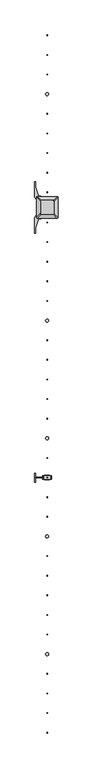
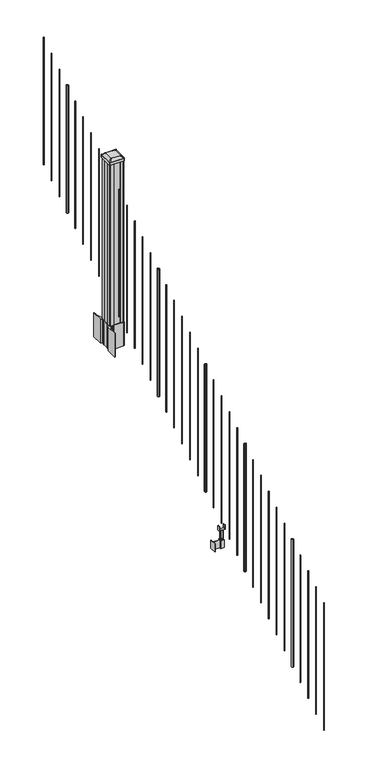
"""IFC4 building model written with IfcOpenShell, lengths in millimetres: railing geometry."""

from ifc_helpers import new_model, si_unit, point, frame, frame_2d, origin, place, context, project, spatial, polyline, circle_curve, trimmed, segment, composite_curve, outline, extrude, source, transform, mapped, element, save
from ifc_brep_helpers import plane_surface, extruded_surface, advanced_brep


def railing_a7a2ee65(model_context):
    return source(origin(), model_context, "Body", "SolidModel", [
        extrude(outline(composite_curve([segment(trimmed(circle_curve(frame_2d((8331.6376478, -84378.7128453)), 1.5875), [point((8333.2251478, -84378.7128453))], [point((8331.6376478, -84380.3003453))], False, "CARTESIAN"), True, "CONTINUOUS"), segment(trimmed(circle_curve(frame_2d((8331.6376478, -84378.7128453)), 1.5875), [point((8331.6376478, -84380.3003453))], [point((8330.0501478, -84378.7128453))], False, "CARTESIAN"), True, "CONTINUOUS"), segment(trimmed(circle_curve(frame_2d((8331.6376478, -84378.7128453)), 1.5875), [point((8330.0501478, -84378.7128453))], [point((8331.6376478, -84377.1253453))], False, "CARTESIAN"), True, "CONTINUOUS"), segment(trimmed(circle_curve(frame_2d((8331.6376478, -84378.7128453)), 1.5875), [point((8331.6376478, -84377.1253453))], [point((8333.2251478, -84378.7128453))], False, "CARTESIAN"), True, "CONTINUOUS")], self_intersect=False)), frame((0.0, 0.0, 2216.9396281), z_axis=(0.0, 0.0, 1.0), x_axis=(1.0, 0.0, 0.0)), (0.0, 0.0, 1.0), 812.8041219),
        extrude(outline(composite_curve([segment(trimmed(circle_curve(frame_2d((8331.6376478, -84461.2628453)), 1.5875), [point((8333.2251478, -84461.2628453))], [point((8331.6376478, -84462.8503453))], False, "CARTESIAN"), True, "CONTINUOUS"), segment(trimmed(circle_curve(frame_2d((8331.6376478, -84461.2628453)), 1.5875), [point((8331.6376478, -84462.8503453))], [point((8330.0501478, -84461.2628453))], False, "CARTESIAN"), True, "CONTINUOUS"), segment(trimmed(circle_curve(frame_2d((8331.6376478, -84461.2628453)), 1.5875), [point((8330.0501478, -84461.2628453))], [point((8331.6376478, -84459.6753453))], False, "CARTESIAN"), True, "CONTINUOUS"), segment(trimmed(circle_curve(frame_2d((8331.6376478, -84461.2628453)), 1.5875), [point((8331.6376478, -84459.6753453))], [point((8333.2251478, -84461.2628453))], False, "CARTESIAN"), True, "CONTINUOUS")], self_intersect=False)), frame((0.0, 0.0, 2165.3458781), z_axis=(0.0, 0.0, 1.0), x_axis=(1.0, 0.0, 0.0)), (0.0, 0.0, 1.0), 812.8041219),
        extrude(outline(composite_curve([segment(trimmed(circle_curve(frame_2d((8331.6376478, -84543.8128453)), 1.5875), [point((8333.2251478, -84543.8128453))], [point((8331.6376478, -84545.4003453))], False, "CARTESIAN"), True, "CONTINUOUS"), segment(trimmed(circle_curve(frame_2d((8331.6376478, -84543.8128453)), 1.5875), [point((8331.6376478, -84545.4003453))], [point((8330.0501478, -84543.8128453))], False, "CARTESIAN"), True, "CONTINUOUS"), segment(trimmed(circle_curve(frame_2d((8331.6376478, -84543.8128453)), 1.5875), [point((8330.0501478, -84543.8128453))], [point((8331.6376478, -84542.2253453))], False, "CARTESIAN"), True, "CONTINUOUS"), segment(trimmed(circle_curve(frame_2d((8331.6376478, -84543.8128453)), 1.5875), [point((8331.6376478, -84542.2253453))], [point((8333.2251478, -84543.8128453))], False, "CARTESIAN"), True, "CONTINUOUS")], self_intersect=False)), frame((0.0, 0.0, 2113.7521281), z_axis=(0.0, 0.0, 1.0), x_axis=(1.0, 0.0, 0.0)), (0.0, 0.0, 1.0), 812.8041219),
        extrude(outline(composite_curve([segment(trimmed(circle_curve(frame_2d((8331.6376478, -84626.3628453)), 6.35), [point((8337.9876478, -84626.3628453))], [point((8331.6376478, -84632.7128453))], False, "CARTESIAN"), True, "CONTINUOUS"), segment(trimmed(circle_curve(frame_2d((8331.6376478, -84626.3628453)), 6.35), [point((8331.6376478, -84632.7128453))], [point((8325.2876478, -84626.3628453))], False, "CARTESIAN"), True, "CONTINUOUS"), segment(trimmed(circle_curve(frame_2d((8331.6376478, -84626.3628453)), 6.35), [point((8325.2876478, -84626.3628453))], [point((8331.6376478, -84620.0128453))], False, "CARTESIAN"), True, "CONTINUOUS"), segment(trimmed(circle_curve(frame_2d((8331.6376478, -84626.3628453)), 6.35), [point((8331.6376478, -84620.0128453))], [point((8337.9876478, -84626.3628453))], False, "CARTESIAN"), True, "CONTINUOUS")], self_intersect=False)), frame((0.0, 0.0, 2062.1583781), z_axis=(0.0, 0.0, 1.0), x_axis=(1.0, 0.0, 0.0)), (0.0, 0.0, 1.0), 812.8041219),
        extrude(outline(composite_curve([segment(trimmed(circle_curve(frame_2d((8331.6376478, -84708.9128453)), 1.5875), [point((8333.2251478, -84708.9128453))], [point((8331.6376478, -84710.5003453))], False, "CARTESIAN"), True, "CONTINUOUS"), segment(trimmed(circle_curve(frame_2d((8331.6376478, -84708.9128453)), 1.5875), [point((8331.6376478, -84710.5003453))], [point((8330.0501478, -84708.9128453))], False, "CARTESIAN"), True, "CONTINUOUS"), segment(trimmed(circle_curve(frame_2d((8331.6376478, -84708.9128453)), 1.5875), [point((8330.0501478, -84708.9128453))], [point((8331.6376478, -84707.3253453))], False, "CARTESIAN"), True, "CONTINUOUS"), segment(trimmed(circle_curve(frame_2d((8331.6376478, -84708.9128453)), 1.5875), [point((8331.6376478, -84707.3253453))], [point((8333.2251478, -84708.9128453))], False, "CARTESIAN"), True, "CONTINUOUS")], self_intersect=False)), frame((0.0, 0.0, 2010.5646281), z_axis=(0.0, 0.0, 1.0), x_axis=(1.0, 0.0, 0.0)), (0.0, 0.0, 1.0), 812.8041219),
        extrude(outline(composite_curve([segment(trimmed(circle_curve(frame_2d((8331.6376478, -84791.4628453)), 1.5875), [point((8333.2251478, -84791.4628453))], [point((8331.6376478, -84793.0503453))], False, "CARTESIAN"), True, "CONTINUOUS"), segment(trimmed(circle_curve(frame_2d((8331.6376478, -84791.4628453)), 1.5875), [point((8331.6376478, -84793.0503453))], [point((8330.0501478, -84791.4628453))], False, "CARTESIAN"), True, "CONTINUOUS"), segment(trimmed(circle_curve(frame_2d((8331.6376478, -84791.4628453)), 1.5875), [point((8330.0501478, -84791.4628453))], [point((8331.6376478, -84789.8753453))], False, "CARTESIAN"), True, "CONTINUOUS"), segment(trimmed(circle_curve(frame_2d((8331.6376478, -84791.4628453)), 1.5875), [point((8331.6376478, -84789.8753453))], [point((8333.2251478, -84791.4628453))], False, "CARTESIAN"), True, "CONTINUOUS")], self_intersect=False)), frame((0.0, 0.0, 1958.9708781), z_axis=(0.0, 0.0, 1.0), x_axis=(1.0, 0.0, 0.0)), (0.0, 0.0, 1.0), 812.8041219),
        extrude(outline(composite_curve([segment(trimmed(circle_curve(frame_2d((8331.6376478, -84874.0128453)), 1.5875), [point((8333.2251478, -84874.0128453))], [point((8331.6376478, -84875.6003453))], False, "CARTESIAN"), True, "CONTINUOUS"), segment(trimmed(circle_curve(frame_2d((8331.6376478, -84874.0128453)), 1.5875), [point((8331.6376478, -84875.6003453))], [point((8330.0501478, -84874.0128453))], False, "CARTESIAN"), True, "CONTINUOUS"), segment(trimmed(circle_curve(frame_2d((8331.6376478, -84874.0128453)), 1.5875), [point((8330.0501478, -84874.0128453))], [point((8331.6376478, -84872.4253453))], False, "CARTESIAN"), True, "CONTINUOUS"), segment(trimmed(circle_curve(frame_2d((8331.6376478, -84874.0128453)), 1.5875), [point((8331.6376478, -84872.4253453))], [point((8333.2251478, -84874.0128453))], False, "CARTESIAN"), True, "CONTINUOUS")], self_intersect=False)), frame((0.0, 0.0, 1907.3771281), z_axis=(0.0, 0.0, 1.0), x_axis=(1.0, 0.0, 0.0)), (0.0, 0.0, 1.0), 812.8041219),
        extrude(outline(composite_curve([segment(trimmed(circle_curve(frame_2d((8331.6376478, -84956.5628453)), 1.5875), [point((8333.2251478, -84956.5628453))], [point((8331.6376478, -84958.1503453))], False, "CARTESIAN"), True, "CONTINUOUS"), segment(trimmed(circle_curve(frame_2d((8331.6376478, -84956.5628453)), 1.5875), [point((8331.6376478, -84958.1503453))], [point((8330.0501478, -84956.5628453))], False, "CARTESIAN"), True, "CONTINUOUS"), segment(trimmed(circle_curve(frame_2d((8331.6376478, -84956.5628453)), 1.5875), [point((8330.0501478, -84956.5628453))], [point((8331.6376478, -84954.9753453))], False, "CARTESIAN"), True, "CONTINUOUS"), segment(trimmed(circle_curve(frame_2d((8331.6376478, -84956.5628453)), 1.5875), [point((8331.6376478, -84954.9753453))], [point((8333.2251478, -84956.5628453))], False, "CARTESIAN"), True, "CONTINUOUS")], self_intersect=False)), frame((0.0, 0.0, 1855.7833781), z_axis=(0.0, 0.0, 1.0), x_axis=(1.0, 0.0, 0.0)), (0.0, 0.0, 1.0), 812.8041219),
        extrude(outline(composite_curve([segment(trimmed(circle_curve(frame_2d((8331.6376478, -85039.1128453)), 1.5875), [point((8333.2251478, -85039.1128453))], [point((8331.6376478, -85040.7003453))], False, "CARTESIAN"), True, "CONTINUOUS"), segment(trimmed(circle_curve(frame_2d((8331.6376478, -85039.1128453)), 1.5875), [point((8331.6376478, -85040.7003453))], [point((8330.0501478, -85039.1128453))], False, "CARTESIAN"), True, "CONTINUOUS"), segment(trimmed(circle_curve(frame_2d((8331.6376478, -85039.1128453)), 1.5875), [point((8330.0501478, -85039.1128453))], [point((8331.6376478, -85037.5253453))], False, "CARTESIAN"), True, "CONTINUOUS"), segment(trimmed(circle_curve(frame_2d((8331.6376478, -85039.1128453)), 1.5875), [point((8331.6376478, -85037.5253453))], [point((8333.2251478, -85039.1128453))], False, "CARTESIAN"), True, "CONTINUOUS")], self_intersect=False)), frame((0.0, 0.0, 1804.1896281), z_axis=(0.0, 0.0, 1.0), x_axis=(1.0, 0.0, 0.0)), (0.0, 0.0, 1.0), 812.8041219),
        extrude(outline(composite_curve([segment(polyline([(8374.3731478, -85119.9989401), (8375.9606478, -85120.7609401), (8375.9606478, -85143.5628682), (8372.5876707, -85146.9358453), (8311.1279999, -85146.9358453), (8311.1279999, -85147.8565953), (8305.8104561, -85147.8565953), (8305.8104561, -85149.31085), (8300.7259264, -85149.31085), (8300.7259264, -85150.5948738), (8299.0586541, -85150.5948738)]), True, "CONTINUOUS"), segment(trimmed(circle_curve(frame_2d((8299.0586541, -85157.6543337)), 7.0594599), [point((8299.0586541, -85150.5948738))], [point((8292.2913912, -85155.644327))], True, "CARTESIAN"), True, "CONTINUOUS"), segment(polyline([(8292.2913912, -85155.644327), (8284.4171969, -85182.1550561)]), True, "CONTINUOUS"), segment(trimmed(circle_curve(frame_2d((8339.2017103, -85198.4271057)), 57.15), [point((8284.4171969, -85182.1550561))], [point((8282.0517103, -85198.4271057))], True, "CARTESIAN"), True, "CONTINUOUS"), segment(polyline([(8282.0517103, -85198.4271057), (8282.0517103, -85210.4358453), (8279.0517103, -85210.4358453), (8279.0517103, -85145.3483453), (8287.3146478, -85134.010054), (8287.3146478, -85120.7609401), (8288.9021478, -85119.9989401), (8288.9021478, -85085.2267504), (8287.3146478, -85084.4647504), (8287.3146478, -85071.2156366), (8279.0517103, -85059.8773453), (8279.0517103, -84994.7898453), (8282.0517103, -84994.7898453), (8282.0517103, -85006.7985848)]), True, "CONTINUOUS"), segment(trimmed(circle_curve(frame_2d((8339.2017103, -85006.7985848)), 57.15), [point((8282.0517103, -85006.7985848))], [point((8284.4171969, -85023.0706345))], True, "CARTESIAN"), True, "CONTINUOUS"), segment(polyline([(8284.4171969, -85023.0706345), (8292.2913912, -85049.5813636)]), True, "CONTINUOUS"), segment(trimmed(circle_curve(frame_2d((8299.0586541, -85047.5713569)), 7.0594599), [point((8292.2913912, -85049.5813636))], [point((8299.0586541, -85054.6308168))], True, "CARTESIAN"), True, "CONTINUOUS"), segment(polyline([(8299.0586541, -85054.6308168), (8300.7259264, -85054.6308168), (8300.7259264, -85055.9148406), (8305.8104561, -85055.9148406), (8305.8104561, -85057.3690953), (8311.1279999, -85057.3690953), (8311.1279999, -85058.2898453), (8372.5876707, -85058.2898453), (8375.9606478, -85061.6628224), (8375.9606478, -85084.4647504), (8374.3731478, -85085.2267504), (8374.3731478, -85119.9989401)]), True, "CONTINUOUS")], self_intersect=False), holes=[polyline([(8290.3626478, -85062.9253453), (8290.3626478, -85142.3003453), (8291.9501478, -85143.8878453), (8328.8744304, -85143.8878453), (8371.3251478, -85143.8878453), (8372.9126478, -85142.3003453), (8372.9126478, -85062.9253453), (8371.3251478, -85061.3378453), (8328.8744304, -85061.3378453), (8291.9501478, -85061.3378453), (8290.3626478, -85062.9253453)])]), frame((0.0, 0.0, 1510.50625), z_axis=(0.0, 0.0, 1.0), x_axis=(1.0, 0.0, 0.0)), (0.0, 0.0, 1.0), 152.4),
        advanced_brep(
        [(8305.8407728, -85131.5847203, 2722.845513), (8357.4345228, -85131.5847203, 2722.845513), (8360.6095228, -85128.4097203, 2722.845513), (8360.6095228, -85076.8159703, 2722.845513), (8357.4345228, -85073.6409703, 2722.845513), (8305.8407728, -85073.6409703, 2722.845513), (8302.6657728, -85076.8159703, 2722.845513), (8302.6657728, -85128.4097203, 2722.845513), (8289.5688978, -85147.8565953, 2711.542513), (8286.3938978, -85144.6815953, 2711.542513), (8286.3938978, -85060.5440953, 2711.542513), (8289.5688978, -85057.3690953, 2711.542513), (8373.7063978, -85057.3690953, 2711.542513), (8376.8813978, -85060.5440953, 2711.542513), (8376.8813978, -85144.6815953, 2711.542513), (8373.7063978, -85147.8565953, 2711.542513)],
        [
            (0, 1),
            (1, 2, circle_curve(frame((8357.4345228, -85128.4097203, 2722.845513), z_axis=(0.0, 0.0, 1.0), x_axis=(0.0, 1.0, 0.0)), 3.175)),
            (2, 3),
            (3, 4, circle_curve(frame((8357.4345228, -85076.8159703, 2722.845513), z_axis=(0.0, 0.0, 1.0), x_axis=(0.0, 1.0, 0.0)), 3.175)),
            (4, 5),
            (5, 6, circle_curve(frame((8305.8407728, -85076.8159703, 2722.845513), z_axis=(0.0, 0.0, 1.0), x_axis=(0.0, 1.0, 0.0)), 3.175)),
            (6, 7),
            (7, 0, circle_curve(frame((8305.8407728, -85128.4097203, 2722.845513), z_axis=(0.0, 0.0, 1.0), x_axis=(0.0, 1.0, 0.0)), 3.175)),
            (8, 9, circle_curve(frame((8289.5688978, -85144.6815953, 2711.542513), z_axis=(0.0, 0.0, -1.0), x_axis=(0.0, 1.0, 0.0)), 3.175)),
            (9, 10),
            (10, 11, circle_curve(frame((8289.5688978, -85060.5440953, 2711.542513), z_axis=(0.0, 0.0, -1.0), x_axis=(0.0, 1.0, 0.0)), 3.175)),
            (11, 12),
            (12, 13, circle_curve(frame((8373.7063978, -85060.5440953, 2711.542513), z_axis=(0.0, 0.0, -1.0), x_axis=(0.0, 1.0, 0.0)), 3.175)),
            (13, 14),
            (14, 15, circle_curve(frame((8373.7063978, -85144.6815953, 2711.542513), z_axis=(0.0, 0.0, -1.0), x_axis=(0.0, 1.0, 0.0)), 3.175)),
            (15, 8),
            (8, 0),
            (7, 9),
            (6, 10),
            (5, 11),
            (4, 12),
            (3, 13),
            (2, 14),
            (1, 15),
        ],
        [
            plane_surface(frame((8331.6376478, -85102.6128453, 2722.845513), z_axis=(0.0, 0.0, 1.0), x_axis=(-1.0, 0.0, 0.0))),
            plane_surface(frame((8331.6376478, -85102.6128453, 2711.542513), z_axis=(0.0, 0.0, -1.0), x_axis=(-1.0, 0.0, 0.0))),
            extruded_surface(trimmed(circle_curve(frame((8305.8407728, -85128.4097203, 2722.845513), z_axis=(0.0, 0.0, -1.0), x_axis=(0.0, 1.0, 0.0)), 3.175), [point((8305.8407728, -85131.5847203, 2722.845513))], [point((8302.6657728, -85128.4097203, 2722.845513))], True, "CARTESIAN"), (-16.271875000000364, -16.27187500000582, -11.303000000000338), 25.637972638870238),
            plane_surface(frame((8286.3938978, -85102.6128453, 2711.542513), z_axis=(-0.5705009161540778, 0.0, 0.8212969649690408), x_axis=(0.0, 1.0, 0.0))),
            extruded_surface(trimmed(circle_curve(frame((8305.8407728, -85076.8159703, 2722.845513), z_axis=(0.0, 0.0, -1.0), x_axis=(0.0, 1.0, 0.0)), 3.175), [point((8302.6657728, -85076.8159703, 2722.845513))], [point((8305.8407728, -85073.6409703, 2722.845513))], True, "CARTESIAN"), (-16.271875000000364, 16.27187499999127, -11.303000000000338), 25.637972638861),
            plane_surface(frame((8331.6376478, -85057.3690953, 2711.542513), z_axis=(0.0, 0.5705009161540291, 0.8212969649690747), x_axis=(1.0, 0.0, 0.0))),
            extruded_surface(trimmed(circle_curve(frame((8357.4345228, -85076.8159703, 2722.845513), z_axis=(0.0, 0.0, -1.0), x_axis=(0.0, 1.0, 0.0)), 3.175), [point((8357.4345228, -85073.6409703, 2722.845513))], [point((8360.6095228, -85076.8159703, 2722.845513))], True, "CARTESIAN"), (16.271875000000364, 16.27187499999127, -11.303000000000338), 25.637972638861),
            plane_surface(frame((8376.8813978, -85102.6128453, 2711.542513), z_axis=(0.5705009161540142, 0.0, 0.8212969649690851), x_axis=(0.0, -1.0, 0.0))),
            extruded_surface(trimmed(circle_curve(frame((8357.4345228, -85128.4097203, 2722.845513), z_axis=(0.0, 0.0, -1.0), x_axis=(0.0, 1.0, 0.0)), 3.175), [point((8360.6095228, -85128.4097203, 2722.845513))], [point((8357.4345228, -85131.5847203, 2722.845513))], True, "CARTESIAN"), (16.271875000000364, -16.27187500000582, -11.303000000000338), 25.637972638870238),
            plane_surface(frame((8331.6376478, -85147.8565953, 2711.542513), z_axis=(0.0, -0.570500916154034, 0.8212969649690713), x_axis=(-1.0, 0.0, 0.0))),
        ],
        [
            (0, [[1, 2, 3, 4, 5, 6, 7, 8]]),
            (1, [[9, 10, 11, 12, 13, 14, 15, 16]]),
            (2, [[17, -8, 18, -9]]),
            (3, [[-18, -7, 19, -10]]),
            (4, [[-19, -6, 20, -11]]),
            (5, [[-20, -5, 21, -12]]),
            (6, [[-21, -4, 22, -13]]),
            (7, [[-22, -3, 23, -14]]),
            (8, [[-23, -2, 24, -15]]),
            (9, [[-24, -1, -17, -16]]),
        ],
    ),
        extrude(outline(composite_curve([segment(trimmed(circle_curve(frame_2d((8289.5688978, -85144.6815953)), 3.175), [point((8289.5688978, -85147.8565953))], [point((8286.3938978, -85144.6815953))], False, "CARTESIAN"), True, "CONTINUOUS"), segment(polyline([(8286.3938978, -85144.6815953), (8286.3938978, -85060.5440953)]), True, "CONTINUOUS"), segment(trimmed(circle_curve(frame_2d((8289.5688978, -85060.5440953)), 3.175), [point((8286.3938978, -85060.5440953))], [point((8289.5688978, -85057.3690953))], False, "CARTESIAN"), True, "CONTINUOUS"), segment(polyline([(8289.5688978, -85057.3690953), (8373.7063978, -85057.3690953)]), True, "CONTINUOUS"), segment(trimmed(circle_curve(frame_2d((8373.7063978, -85060.5440953)), 3.175), [point((8373.7063978, -85057.3690953))], [point((8376.8813978, -85060.5440953))], False, "CARTESIAN"), True, "CONTINUOUS"), segment(polyline([(8376.8813978, -85060.5440953), (8376.8813978, -85144.6815953)]), True, "CONTINUOUS"), segment(trimmed(circle_curve(frame_2d((8373.7063978, -85144.6815953)), 3.175), [point((8376.8813978, -85144.6815953))], [point((8373.7063978, -85147.8565953))], False, "CARTESIAN"), True, "CONTINUOUS"), segment(polyline([(8373.7063978, -85147.8565953), (8289.5688978, -85147.8565953)]), True, "CONTINUOUS")], self_intersect=False)), frame((0.0, 0.0, 2694.270513), z_axis=(0.0, 0.0, 1.0), x_axis=(1.0, 0.0, 0.0)), (0.0, 0.0, 1.0), 17.272),
        extrude(outline(polyline([(8291.9501478, -85143.8878453), (8290.3626478, -85142.3003453), (8290.3626478, -85122.6788453), (8291.9501478, -85121.9168453), (8291.9501478, -85083.3088453), (8290.3626478, -85082.5468453), (8290.3626478, -85062.9253453), (8291.9501478, -85061.3378453), (8311.5716478, -85061.3378453), (8312.3336478, -85062.9253453), (8350.9416478, -85062.9253453), (8351.7036478, -85061.3378453), (8371.3251478, -85061.3378453), (8372.9126478, -85062.9253453), (8372.9126478, -85082.5468453), (8371.3251478, -85083.3088453), (8371.3251478, -85121.9168453), (8372.9126478, -85122.6788453), (8372.9126478, -85142.3003453), (8371.3251478, -85143.8878453), (8351.7036478, -85143.8878453), (8350.9416478, -85142.3003453), (8312.3336478, -85142.3003453), (8311.5716478, -85143.8878453), (8291.9501478, -85143.8878453)])), frame((0.0, 0.0, 1662.90625), z_axis=(0.0, 0.0, 1.0), x_axis=(1.0, 0.0, 0.0)), (0.0, 0.0, 1.0), 1031.364263),
        extrude(outline(composite_curve([segment(trimmed(circle_curve(frame_2d((8331.6376478, -85166.1128453)), 1.5875), [point((8333.2251478, -85166.1128453))], [point((8331.6376478, -85167.7003453))], False, "CARTESIAN"), True, "CONTINUOUS"), segment(trimmed(circle_curve(frame_2d((8331.6376478, -85166.1128453)), 1.5875), [point((8331.6376478, -85167.7003453))], [point((8330.0501478, -85166.1128453))], False, "CARTESIAN"), True, "CONTINUOUS"), segment(trimmed(circle_curve(frame_2d((8331.6376478, -85166.1128453)), 1.5875), [point((8330.0501478, -85166.1128453))], [point((8331.6376478, -85164.5253453))], False, "CARTESIAN"), True, "CONTINUOUS"), segment(trimmed(circle_curve(frame_2d((8331.6376478, -85166.1128453)), 1.5875), [point((8331.6376478, -85164.5253453))], [point((8333.2251478, -85166.1128453))], False, "CARTESIAN"), True, "CONTINUOUS")], self_intersect=False)), frame((0.0, 0.0, 1724.8146281), z_axis=(0.0, 0.0, 1.0), x_axis=(1.0, 0.0, 0.0)), (0.0, 0.0, 1.0), 812.8041219),
        extrude(outline(composite_curve([segment(trimmed(circle_curve(frame_2d((8331.6376478, -85248.6628453)), 1.5875), [point((8333.2251478, -85248.6628453))], [point((8331.6376478, -85250.2503453))], False, "CARTESIAN"), True, "CONTINUOUS"), segment(trimmed(circle_curve(frame_2d((8331.6376478, -85248.6628453)), 1.5875), [point((8331.6376478, -85250.2503453))], [point((8330.0501478, -85248.6628453))], False, "CARTESIAN"), True, "CONTINUOUS"), segment(trimmed(circle_curve(frame_2d((8331.6376478, -85248.6628453)), 1.5875), [point((8330.0501478, -85248.6628453))], [point((8331.6376478, -85247.0753453))], False, "CARTESIAN"), True, "CONTINUOUS"), segment(trimmed(circle_curve(frame_2d((8331.6376478, -85248.6628453)), 1.5875), [point((8331.6376478, -85247.0753453))], [point((8333.2251478, -85248.6628453))], False, "CARTESIAN"), True, "CONTINUOUS")], self_intersect=False)), frame((0.0, 0.0, 1673.2208781), z_axis=(0.0, 0.0, 1.0), x_axis=(1.0, 0.0, 0.0)), (0.0, 0.0, 1.0), 812.8041219),
        extrude(outline(composite_curve([segment(trimmed(circle_curve(frame_2d((8331.6376478, -85331.2128453)), 1.5875), [point((8333.2251478, -85331.2128453))], [point((8331.6376478, -85332.8003453))], False, "CARTESIAN"), True, "CONTINUOUS"), segment(trimmed(circle_curve(frame_2d((8331.6376478, -85331.2128453)), 1.5875), [point((8331.6376478, -85332.8003453))], [point((8330.0501478, -85331.2128453))], False, "CARTESIAN"), True, "CONTINUOUS"), segment(trimmed(circle_curve(frame_2d((8331.6376478, -85331.2128453)), 1.5875), [point((8330.0501478, -85331.2128453))], [point((8331.6376478, -85329.6253453))], False, "CARTESIAN"), True, "CONTINUOUS"), segment(trimmed(circle_curve(frame_2d((8331.6376478, -85331.2128453)), 1.5875), [point((8331.6376478, -85329.6253453))], [point((8333.2251478, -85331.2128453))], False, "CARTESIAN"), True, "CONTINUOUS")], self_intersect=False)), frame((0.0, 0.0, 1621.6271281), z_axis=(0.0, 0.0, 1.0), x_axis=(1.0, 0.0, 0.0)), (0.0, 0.0, 1.0), 812.8041219),
        extrude(outline(composite_curve([segment(trimmed(circle_curve(frame_2d((8331.6376478, -85413.7628453)), 1.5875), [point((8333.2251478, -85413.7628453))], [point((8331.6376478, -85415.3503453))], False, "CARTESIAN"), True, "CONTINUOUS"), segment(trimmed(circle_curve(frame_2d((8331.6376478, -85413.7628453)), 1.5875), [point((8331.6376478, -85415.3503453))], [point((8330.0501478, -85413.7628453))], False, "CARTESIAN"), True, "CONTINUOUS"), segment(trimmed(circle_curve(frame_2d((8331.6376478, -85413.7628453)), 1.5875), [point((8330.0501478, -85413.7628453))], [point((8331.6376478, -85412.1753453))], False, "CARTESIAN"), True, "CONTINUOUS"), segment(trimmed(circle_curve(frame_2d((8331.6376478, -85413.7628453)), 1.5875), [point((8331.6376478, -85412.1753453))], [point((8333.2251478, -85413.7628453))], False, "CARTESIAN"), True, "CONTINUOUS")], self_intersect=False)), frame((0.0, 0.0, 1570.0333781), z_axis=(0.0, 0.0, 1.0), x_axis=(1.0, 0.0, 0.0)), (0.0, 0.0, 1.0), 812.8041219),
        extrude(outline(composite_curve([segment(trimmed(circle_curve(frame_2d((8331.6376478, -85496.3128453)), 1.5875), [point((8333.2251478, -85496.3128453))], [point((8331.6376478, -85497.9003453))], False, "CARTESIAN"), True, "CONTINUOUS"), segment(trimmed(circle_curve(frame_2d((8331.6376478, -85496.3128453)), 1.5875), [point((8331.6376478, -85497.9003453))], [point((8330.0501478, -85496.3128453))], False, "CARTESIAN"), True, "CONTINUOUS"), segment(trimmed(circle_curve(frame_2d((8331.6376478, -85496.3128453)), 1.5875), [point((8330.0501478, -85496.3128453))], [point((8331.6376478, -85494.7253453))], False, "CARTESIAN"), True, "CONTINUOUS"), segment(trimmed(circle_curve(frame_2d((8331.6376478, -85496.3128453)), 1.5875), [point((8331.6376478, -85494.7253453))], [point((8333.2251478, -85496.3128453))], False, "CARTESIAN"), True, "CONTINUOUS")], self_intersect=False)), frame((0.0, 0.0, 1518.4396281), z_axis=(0.0, 0.0, 1.0), x_axis=(1.0, 0.0, 0.0)), (0.0, 0.0, 1.0), 812.8041219),
        extrude(outline(composite_curve([segment(trimmed(circle_curve(frame_2d((8331.6376478, -85578.8628453)), 6.35), [point((8337.9876478, -85578.8628453))], [point((8331.6376478, -85585.2128453))], False, "CARTESIAN"), True, "CONTINUOUS"), segment(trimmed(circle_curve(frame_2d((8331.6376478, -85578.8628453)), 6.35), [point((8331.6376478, -85585.2128453))], [point((8325.2876478, -85578.8628453))], False, "CARTESIAN"), True, "CONTINUOUS"), segment(trimmed(circle_curve(frame_2d((8331.6376478, -85578.8628453)), 6.35), [point((8325.2876478, -85578.8628453))], [point((8331.6376478, -85572.5128453))], False, "CARTESIAN"), True, "CONTINUOUS"), segment(trimmed(circle_curve(frame_2d((8331.6376478, -85578.8628453)), 6.35), [point((8331.6376478, -85572.5128453))], [point((8337.9876478, -85578.8628453))], False, "CARTESIAN"), True, "CONTINUOUS")], self_intersect=False)), frame((0.0, 0.0, 1466.8458781), z_axis=(0.0, 0.0, 1.0), x_axis=(1.0, 0.0, 0.0)), (0.0, 0.0, 1.0), 812.8041219),
        extrude(outline(composite_curve([segment(trimmed(circle_curve(frame_2d((8331.6376478, -85661.4128453)), 1.5875), [point((8333.2251478, -85661.4128453))], [point((8331.6376478, -85663.0003453))], False, "CARTESIAN"), True, "CONTINUOUS"), segment(trimmed(circle_curve(frame_2d((8331.6376478, -85661.4128453)), 1.5875), [point((8331.6376478, -85663.0003453))], [point((8330.0501478, -85661.4128453))], False, "CARTESIAN"), True, "CONTINUOUS"), segment(trimmed(circle_curve(frame_2d((8331.6376478, -85661.4128453)), 1.5875), [point((8330.0501478, -85661.4128453))], [point((8331.6376478, -85659.8253453))], False, "CARTESIAN"), True, "CONTINUOUS"), segment(trimmed(circle_curve(frame_2d((8331.6376478, -85661.4128453)), 1.5875), [point((8331.6376478, -85659.8253453))], [point((8333.2251478, -85661.4128453))], False, "CARTESIAN"), True, "CONTINUOUS")], self_intersect=False)), frame((0.0, 0.0, 1415.2521281), z_axis=(0.0, 0.0, 1.0), x_axis=(1.0, 0.0, 0.0)), (0.0, 0.0, 1.0), 812.8041219),
        extrude(outline(composite_curve([segment(trimmed(circle_curve(frame_2d((8331.6376478, -85743.9628453)), 1.5875), [point((8333.2251478, -85743.9628453))], [point((8331.6376478, -85745.5503453))], False, "CARTESIAN"), True, "CONTINUOUS"), segment(trimmed(circle_curve(frame_2d((8331.6376478, -85743.9628453)), 1.5875), [point((8331.6376478, -85745.5503453))], [point((8330.0501478, -85743.9628453))], False, "CARTESIAN"), True, "CONTINUOUS"), segment(trimmed(circle_curve(frame_2d((8331.6376478, -85743.9628453)), 1.5875), [point((8330.0501478, -85743.9628453))], [point((8331.6376478, -85742.3753453))], False, "CARTESIAN"), True, "CONTINUOUS"), segment(trimmed(circle_curve(frame_2d((8331.6376478, -85743.9628453)), 1.5875), [point((8331.6376478, -85742.3753453))], [point((8333.2251478, -85743.9628453))], False, "CARTESIAN"), True, "CONTINUOUS")], self_intersect=False)), frame((0.0, 0.0, 1363.6583781), z_axis=(0.0, 0.0, 1.0), x_axis=(1.0, 0.0, 0.0)), (0.0, 0.0, 1.0), 812.8041219),
        extrude(outline(composite_curve([segment(trimmed(circle_curve(frame_2d((8331.6376478, -85826.5128453)), 1.5875), [point((8333.2251478, -85826.5128453))], [point((8331.6376478, -85828.1003453))], False, "CARTESIAN"), True, "CONTINUOUS"), segment(trimmed(circle_curve(frame_2d((8331.6376478, -85826.5128453)), 1.5875), [point((8331.6376478, -85828.1003453))], [point((8330.0501478, -85826.5128453))], False, "CARTESIAN"), True, "CONTINUOUS"), segment(trimmed(circle_curve(frame_2d((8331.6376478, -85826.5128453)), 1.5875), [point((8330.0501478, -85826.5128453))], [point((8331.6376478, -85824.9253453))], False, "CARTESIAN"), True, "CONTINUOUS"), segment(trimmed(circle_curve(frame_2d((8331.6376478, -85826.5128453)), 1.5875), [point((8331.6376478, -85824.9253453))], [point((8333.2251478, -85826.5128453))], False, "CARTESIAN"), True, "CONTINUOUS")], self_intersect=False)), frame((0.0, 0.0, 1312.0646281), z_axis=(0.0, 0.0, 1.0), x_axis=(1.0, 0.0, 0.0)), (0.0, 0.0, 1.0), 812.8041219),
        extrude(outline(composite_curve([segment(trimmed(circle_curve(frame_2d((8331.6376478, -85909.0628453)), 1.5875), [point((8333.2251478, -85909.0628453))], [point((8331.6376478, -85910.6503453))], False, "CARTESIAN"), True, "CONTINUOUS"), segment(trimmed(circle_curve(frame_2d((8331.6376478, -85909.0628453)), 1.5875), [point((8331.6376478, -85910.6503453))], [point((8330.0501478, -85909.0628453))], False, "CARTESIAN"), True, "CONTINUOUS"), segment(trimmed(circle_curve(frame_2d((8331.6376478, -85909.0628453)), 1.5875), [point((8330.0501478, -85909.0628453))], [point((8331.6376478, -85907.4753453))], False, "CARTESIAN"), True, "CONTINUOUS"), segment(trimmed(circle_curve(frame_2d((8331.6376478, -85909.0628453)), 1.5875), [point((8331.6376478, -85907.4753453))], [point((8333.2251478, -85909.0628453))], False, "CARTESIAN"), True, "CONTINUOUS")], self_intersect=False)), frame((0.0, 0.0, 1260.4708781), z_axis=(0.0, 0.0, 1.0), x_axis=(1.0, 0.0, 0.0)), (0.0, 0.0, 1.0), 812.8041219),
        extrude(outline(composite_curve([segment(trimmed(circle_curve(frame_2d((8331.6376478, -85991.6128453)), 1.5875), [point((8333.2251478, -85991.6128453))], [point((8331.6376478, -85993.2003453))], False, "CARTESIAN"), True, "CONTINUOUS"), segment(trimmed(circle_curve(frame_2d((8331.6376478, -85991.6128453)), 1.5875), [point((8331.6376478, -85993.2003453))], [point((8330.0501478, -85991.6128453))], False, "CARTESIAN"), True, "CONTINUOUS"), segment(trimmed(circle_curve(frame_2d((8331.6376478, -85991.6128453)), 1.5875), [point((8330.0501478, -85991.6128453))], [point((8331.6376478, -85990.0253453))], False, "CARTESIAN"), True, "CONTINUOUS"), segment(trimmed(circle_curve(frame_2d((8331.6376478, -85991.6128453)), 1.5875), [point((8331.6376478, -85990.0253453))], [point((8333.2251478, -85991.6128453))], False, "CARTESIAN"), True, "CONTINUOUS")], self_intersect=False)), frame((0.0, 0.0, 1208.8771281), z_axis=(0.0, 0.0, 1.0), x_axis=(1.0, 0.0, 0.0)), (0.0, 0.0, 1.0), 812.8041219),
        extrude(outline(composite_curve([segment(trimmed(circle_curve(frame_2d((8331.6376478, -86074.1628453)), 6.35), [point((8337.9876478, -86074.1628453))], [point((8331.6376478, -86080.5128453))], False, "CARTESIAN"), True, "CONTINUOUS"), segment(trimmed(circle_curve(frame_2d((8331.6376478, -86074.1628453)), 6.35), [point((8331.6376478, -86080.5128453))], [point((8325.2876478, -86074.1628453))], False, "CARTESIAN"), True, "CONTINUOUS"), segment(trimmed(circle_curve(frame_2d((8331.6376478, -86074.1628453)), 6.35), [point((8325.2876478, -86074.1628453))], [point((8331.6376478, -86067.8128453))], False, "CARTESIAN"), True, "CONTINUOUS"), segment(trimmed(circle_curve(frame_2d((8331.6376478, -86074.1628453)), 6.35), [point((8331.6376478, -86067.8128453))], [point((8337.9876478, -86074.1628453))], False, "CARTESIAN"), True, "CONTINUOUS")], self_intersect=False)), frame((0.0, 0.0, 1157.2833781), z_axis=(0.0, 0.0, 1.0), x_axis=(1.0, 0.0, 0.0)), (0.0, 0.0, 1.0), 812.8041219),
        extrude(outline(composite_curve([segment(trimmed(circle_curve(frame_2d((8331.6376478, -86156.7128453)), 1.5875), [point((8333.2251478, -86156.7128453))], [point((8331.6376478, -86158.3003453))], False, "CARTESIAN"), True, "CONTINUOUS"), segment(trimmed(circle_curve(frame_2d((8331.6376478, -86156.7128453)), 1.5875), [point((8331.6376478, -86158.3003453))], [point((8330.0501478, -86156.7128453))], False, "CARTESIAN"), True, "CONTINUOUS"), segment(trimmed(circle_curve(frame_2d((8331.6376478, -86156.7128453)), 1.5875), [point((8330.0501478, -86156.7128453))], [point((8331.6376478, -86155.1253453))], False, "CARTESIAN"), True, "CONTINUOUS"), segment(trimmed(circle_curve(frame_2d((8331.6376478, -86156.7128453)), 1.5875), [point((8331.6376478, -86155.1253453))], [point((8333.2251478, -86156.7128453))], False, "CARTESIAN"), True, "CONTINUOUS")], self_intersect=False)), frame((0.0, 0.0, 1105.6896281), z_axis=(0.0, 0.0, 1.0), x_axis=(1.0, 0.0, 0.0)), (0.0, 0.0, 1.0), 812.8041219),
        extrude(outline(polyline([(8320.969648, -86240.5328453), (8281.5996478, -86240.5328453), (8281.5996478, -86237.9928453), (8320.969648, -86237.9928453), (8320.969648, -86240.5328453)])), frame((0.0, 0.0, 901.7), z_axis=(0.0, 0.0, 1.0), x_axis=(1.0, 0.0, 0.0)), (0.0, 0.0, 1.0), 50.8),
        extrude(outline(polyline([(8281.5996478, -86258.3128453), (8279.0596478, -86258.3128453), (8279.0596478, -86220.2128453), (8281.5996478, -86220.2128453), (8281.5996478, -86258.3128453)])), frame((0.0, 0.0, 901.7), z_axis=(0.0, 0.0, 1.0), x_axis=(1.0, 0.0, 0.0)), (0.0, 0.0, 1.0), 50.8),
        extrude(outline(polyline([(8342.3056485, -86249.1688453), (8320.969648, -86249.1688453), (8320.969648, -86229.3568453), (8342.3056485, -86229.3568453), (8342.3056485, -86249.1688453)]), holes=[polyline([(8339.0036484, -86246.6288453), (8339.0036484, -86231.8968453), (8324.2716481, -86231.8968453), (8324.2716481, -86246.6288453), (8339.0036484, -86246.6288453)])]), frame((0.0, 0.0, 901.7), z_axis=(0.0, 0.0, 1.0), x_axis=(1.0, 0.0, 0.0)), (0.0, 0.0, 1.0), 50.8),
        extrude(outline(polyline([(1041.2203979, 8313.4766489), (1040.4583969, 8312.7146479), (1013.9680023, 8312.7146479), (1013.2060013, 8313.4766489), (1013.2060013, 8323.509648), (1012.4440012, 8324.2716481), (948.9440012, 8324.2716481), (948.9440012, 8339.0036484), (1012.4440012, 8339.0036484), (1013.2060013, 8339.7656485), (1013.2060013, 8349.7986475), (1013.9680023, 8350.5606486), (1040.4583969, 8350.5606486), (1041.2203979, 8349.7986475), (1041.2203979, 8347.766648), (1040.2043953, 8346.7506482), (1029.7686081, 8346.7506482), (1028.7526073, 8347.766648), (1016.762001, 8347.766648), (1016.0000019, 8347.0046488), (1016.0000019, 8316.2706477), (1016.762001, 8315.5086485), (1028.7526073, 8315.5086485), (1029.7686081, 8316.5246483), (1040.2043953, 8316.5246483), (1041.2203979, 8315.5086485), (1041.2203979, 8313.4766489)]), holes=[polyline([(1013.2060013, 8335.0666481), (1012.4440012, 8335.8286482), (956.4370031, 8335.8286482), (955.6750031, 8335.0666481), (955.6750031, 8328.2086455), (956.4370003, 8327.4466483), (1012.4440012, 8327.4466483), (1013.2060013, 8328.2086483), (1013.2060013, 8335.0666481)])]), frame((0.0, -86246.6288453, 0.0), z_axis=(0.0, 1.0, 0.0), x_axis=(0.0, 0.0, 1.0)), (0.0, 0.0, 1.0), 14.732),
        extrude(outline(composite_curve([segment(trimmed(circle_curve(frame_2d((8331.6376478, -86239.2628453)), 1.5875), [point((8333.2251478, -86239.2628453))], [point((8331.6376478, -86240.8503453))], False, "CARTESIAN"), True, "CONTINUOUS"), segment(trimmed(circle_curve(frame_2d((8331.6376478, -86239.2628453)), 1.5875), [point((8331.6376478, -86240.8503453))], [point((8330.0501478, -86239.2628453))], False, "CARTESIAN"), True, "CONTINUOUS"), segment(trimmed(circle_curve(frame_2d((8331.6376478, -86239.2628453)), 1.5875), [point((8330.0501478, -86239.2628453))], [point((8331.6376478, -86237.6753453))], False, "CARTESIAN"), True, "CONTINUOUS"), segment(trimmed(circle_curve(frame_2d((8331.6376478, -86239.2628453)), 1.5875), [point((8331.6376478, -86237.6753453))], [point((8333.2251478, -86239.2628453))], False, "CARTESIAN"), True, "CONTINUOUS")], self_intersect=False)), frame((0.0, 0.0, 1054.0958781), z_axis=(0.0, 0.0, 1.0), x_axis=(1.0, 0.0, 0.0)), (0.0, 0.0, 1.0), 812.8041219),
        extrude(outline(composite_curve([segment(trimmed(circle_curve(frame_2d((8331.6376478, -86321.8128453)), 1.5875), [point((8333.2251478, -86321.8128453))], [point((8331.6376478, -86323.4003453))], False, "CARTESIAN"), True, "CONTINUOUS"), segment(trimmed(circle_curve(frame_2d((8331.6376478, -86321.8128453)), 1.5875), [point((8331.6376478, -86323.4003453))], [point((8330.0501478, -86321.8128453))], False, "CARTESIAN"), True, "CONTINUOUS"), segment(trimmed(circle_curve(frame_2d((8331.6376478, -86321.8128453)), 1.5875), [point((8330.0501478, -86321.8128453))], [point((8331.6376478, -86320.2253453))], False, "CARTESIAN"), True, "CONTINUOUS"), segment(trimmed(circle_curve(frame_2d((8331.6376478, -86321.8128453)), 1.5875), [point((8331.6376478, -86320.2253453))], [point((8333.2251478, -86321.8128453))], False, "CARTESIAN"), True, "CONTINUOUS")], self_intersect=False)), frame((0.0, 0.0, 1002.5021281), z_axis=(0.0, 0.0, 1.0), x_axis=(1.0, 0.0, 0.0)), (0.0, 0.0, 1.0), 812.8041219),
        extrude(outline(composite_curve([segment(trimmed(circle_curve(frame_2d((8331.6376478, -86404.3628453)), 1.5875), [point((8333.2251478, -86404.3628453))], [point((8331.6376478, -86405.9503453))], False, "CARTESIAN"), True, "CONTINUOUS"), segment(trimmed(circle_curve(frame_2d((8331.6376478, -86404.3628453)), 1.5875), [point((8331.6376478, -86405.9503453))], [point((8330.0501478, -86404.3628453))], False, "CARTESIAN"), True, "CONTINUOUS"), segment(trimmed(circle_curve(frame_2d((8331.6376478, -86404.3628453)), 1.5875), [point((8330.0501478, -86404.3628453))], [point((8331.6376478, -86402.7753453))], False, "CARTESIAN"), True, "CONTINUOUS"), segment(trimmed(circle_curve(frame_2d((8331.6376478, -86404.3628453)), 1.5875), [point((8331.6376478, -86402.7753453))], [point((8333.2251478, -86404.3628453))], False, "CARTESIAN"), True, "CONTINUOUS")], self_intersect=False)), frame((0.0, 0.0, 950.9083781), z_axis=(0.0, 0.0, 1.0), x_axis=(1.0, 0.0, 0.0)), (0.0, 0.0, 1.0), 812.8041219),
        extrude(outline(composite_curve([segment(trimmed(circle_curve(frame_2d((8331.6376478, -86486.9128453)), 6.35), [point((8337.9876478, -86486.9128453))], [point((8331.6376478, -86493.2628453))], False, "CARTESIAN"), True, "CONTINUOUS"), segment(trimmed(circle_curve(frame_2d((8331.6376478, -86486.9128453)), 6.35), [point((8331.6376478, -86493.2628453))], [point((8325.2876478, -86486.9128453))], False, "CARTESIAN"), True, "CONTINUOUS"), segment(trimmed(circle_curve(frame_2d((8331.6376478, -86486.9128453)), 6.35), [point((8325.2876478, -86486.9128453))], [point((8331.6376478, -86480.5628453))], False, "CARTESIAN"), True, "CONTINUOUS"), segment(trimmed(circle_curve(frame_2d((8331.6376478, -86486.9128453)), 6.35), [point((8331.6376478, -86480.5628453))], [point((8337.9876478, -86486.9128453))], False, "CARTESIAN"), True, "CONTINUOUS")], self_intersect=False)), frame((0.0, 0.0, 899.3146281), z_axis=(0.0, 0.0, 1.0), x_axis=(1.0, 0.0, 0.0)), (0.0, 0.0, 1.0), 812.8041219),
        extrude(outline(composite_curve([segment(trimmed(circle_curve(frame_2d((8331.6376478, -86569.4628453)), 1.5875), [point((8333.2251478, -86569.4628453))], [point((8331.6376478, -86571.0503453))], False, "CARTESIAN"), True, "CONTINUOUS"), segment(trimmed(circle_curve(frame_2d((8331.6376478, -86569.4628453)), 1.5875), [point((8331.6376478, -86571.0503453))], [point((8330.0501478, -86569.4628453))], False, "CARTESIAN"), True, "CONTINUOUS"), segment(trimmed(circle_curve(frame_2d((8331.6376478, -86569.4628453)), 1.5875), [point((8330.0501478, -86569.4628453))], [point((8331.6376478, -86567.8753453))], False, "CARTESIAN"), True, "CONTINUOUS"), segment(trimmed(circle_curve(frame_2d((8331.6376478, -86569.4628453)), 1.5875), [point((8331.6376478, -86567.8753453))], [point((8333.2251478, -86569.4628453))], False, "CARTESIAN"), True, "CONTINUOUS")], self_intersect=False)), frame((0.0, 0.0, 847.7208781), z_axis=(0.0, 0.0, 1.0), x_axis=(1.0, 0.0, 0.0)), (0.0, 0.0, 1.0), 812.8041219),
        extrude(outline(composite_curve([segment(trimmed(circle_curve(frame_2d((8331.6376478, -86652.0128453)), 1.5875), [point((8333.2251478, -86652.0128453))], [point((8331.6376478, -86653.6003453))], False, "CARTESIAN"), True, "CONTINUOUS"), segment(trimmed(circle_curve(frame_2d((8331.6376478, -86652.0128453)), 1.5875), [point((8331.6376478, -86653.6003453))], [point((8330.0501478, -86652.0128453))], False, "CARTESIAN"), True, "CONTINUOUS"), segment(trimmed(circle_curve(frame_2d((8331.6376478, -86652.0128453)), 1.5875), [point((8330.0501478, -86652.0128453))], [point((8331.6376478, -86650.4253453))], False, "CARTESIAN"), True, "CONTINUOUS"), segment(trimmed(circle_curve(frame_2d((8331.6376478, -86652.0128453)), 1.5875), [point((8331.6376478, -86650.4253453))], [point((8333.2251478, -86652.0128453))], False, "CARTESIAN"), True, "CONTINUOUS")], self_intersect=False)), frame((0.0, 0.0, 796.1271281), z_axis=(0.0, 0.0, 1.0), x_axis=(1.0, 0.0, 0.0)), (0.0, 0.0, 1.0), 812.8041219),
        extrude(outline(composite_curve([segment(trimmed(circle_curve(frame_2d((8331.6376478, -86734.5628453)), 1.5875), [point((8333.2251478, -86734.5628453))], [point((8331.6376478, -86736.1503453))], False, "CARTESIAN"), True, "CONTINUOUS"), segment(trimmed(circle_curve(frame_2d((8331.6376478, -86734.5628453)), 1.5875), [point((8331.6376478, -86736.1503453))], [point((8330.0501478, -86734.5628453))], False, "CARTESIAN"), True, "CONTINUOUS"), segment(trimmed(circle_curve(frame_2d((8331.6376478, -86734.5628453)), 1.5875), [point((8330.0501478, -86734.5628453))], [point((8331.6376478, -86732.9753453))], False, "CARTESIAN"), True, "CONTINUOUS"), segment(trimmed(circle_curve(frame_2d((8331.6376478, -86734.5628453)), 1.5875), [point((8331.6376478, -86732.9753453))], [point((8333.2251478, -86734.5628453))], False, "CARTESIAN"), True, "CONTINUOUS")], self_intersect=False)), frame((0.0, 0.0, 744.5333781), z_axis=(0.0, 0.0, 1.0), x_axis=(1.0, 0.0, 0.0)), (0.0, 0.0, 1.0), 812.8041219),
        extrude(outline(composite_curve([segment(trimmed(circle_curve(frame_2d((8331.6376478, -86817.1128453)), 1.5875), [point((8333.2251478, -86817.1128453))], [point((8331.6376478, -86818.7003453))], False, "CARTESIAN"), True, "CONTINUOUS"), segment(trimmed(circle_curve(frame_2d((8331.6376478, -86817.1128453)), 1.5875), [point((8331.6376478, -86818.7003453))], [point((8330.0501478, -86817.1128453))], False, "CARTESIAN"), True, "CONTINUOUS"), segment(trimmed(circle_curve(frame_2d((8331.6376478, -86817.1128453)), 1.5875), [point((8330.0501478, -86817.1128453))], [point((8331.6376478, -86815.5253453))], False, "CARTESIAN"), True, "CONTINUOUS"), segment(trimmed(circle_curve(frame_2d((8331.6376478, -86817.1128453)), 1.5875), [point((8331.6376478, -86815.5253453))], [point((8333.2251478, -86817.1128453))], False, "CARTESIAN"), True, "CONTINUOUS")], self_intersect=False)), frame((0.0, 0.0, 692.9396281), z_axis=(0.0, 0.0, 1.0), x_axis=(1.0, 0.0, 0.0)), (0.0, 0.0, 1.0), 812.8041219),
        extrude(outline(composite_curve([segment(trimmed(circle_curve(frame_2d((8331.6376478, -86899.6628453)), 1.5875), [point((8333.2251478, -86899.6628453))], [point((8331.6376478, -86901.2503453))], False, "CARTESIAN"), True, "CONTINUOUS"), segment(trimmed(circle_curve(frame_2d((8331.6376478, -86899.6628453)), 1.5875), [point((8331.6376478, -86901.2503453))], [point((8330.0501478, -86899.6628453))], False, "CARTESIAN"), True, "CONTINUOUS"), segment(trimmed(circle_curve(frame_2d((8331.6376478, -86899.6628453)), 1.5875), [point((8330.0501478, -86899.6628453))], [point((8331.6376478, -86898.0753453))], False, "CARTESIAN"), True, "CONTINUOUS"), segment(trimmed(circle_curve(frame_2d((8331.6376478, -86899.6628453)), 1.5875), [point((8331.6376478, -86898.0753453))], [point((8333.2251478, -86899.6628453))], False, "CARTESIAN"), True, "CONTINUOUS")], self_intersect=False)), frame((0.0, 0.0, 641.3458781), z_axis=(0.0, 0.0, 1.0), x_axis=(1.0, 0.0, 0.0)), (0.0, 0.0, 1.0), 812.8041219),
        extrude(outline(composite_curve([segment(trimmed(circle_curve(frame_2d((8331.6376478, -86982.2128453)), 6.35), [point((8337.9876478, -86982.2128453))], [point((8331.6376478, -86988.5628453))], False, "CARTESIAN"), True, "CONTINUOUS"), segment(trimmed(circle_curve(frame_2d((8331.6376478, -86982.2128453)), 6.35), [point((8331.6376478, -86988.5628453))], [point((8325.2876478, -86982.2128453))], False, "CARTESIAN"), True, "CONTINUOUS"), segment(trimmed(circle_curve(frame_2d((8331.6376478, -86982.2128453)), 6.35), [point((8325.2876478, -86982.2128453))], [point((8331.6376478, -86975.8628453))], False, "CARTESIAN"), True, "CONTINUOUS"), segment(trimmed(circle_curve(frame_2d((8331.6376478, -86982.2128453)), 6.35), [point((8331.6376478, -86975.8628453))], [point((8337.9876478, -86982.2128453))], False, "CARTESIAN"), True, "CONTINUOUS")], self_intersect=False)), frame((0.0, 0.0, 589.7521281), z_axis=(0.0, 0.0, 1.0), x_axis=(1.0, 0.0, 0.0)), (0.0, 0.0, 1.0), 812.8041219),
        extrude(outline(composite_curve([segment(trimmed(circle_curve(frame_2d((8331.6376478, -87064.7628453)), 1.5875), [point((8333.2251478, -87064.7628453))], [point((8331.6376478, -87066.3503453))], False, "CARTESIAN"), True, "CONTINUOUS"), segment(trimmed(circle_curve(frame_2d((8331.6376478, -87064.7628453)), 1.5875), [point((8331.6376478, -87066.3503453))], [point((8330.0501478, -87064.7628453))], False, "CARTESIAN"), True, "CONTINUOUS"), segment(trimmed(circle_curve(frame_2d((8331.6376478, -87064.7628453)), 1.5875), [point((8330.0501478, -87064.7628453))], [point((8331.6376478, -87063.1753453))], False, "CARTESIAN"), True, "CONTINUOUS"), segment(trimmed(circle_curve(frame_2d((8331.6376478, -87064.7628453)), 1.5875), [point((8331.6376478, -87063.1753453))], [point((8333.2251478, -87064.7628453))], False, "CARTESIAN"), True, "CONTINUOUS")], self_intersect=False)), frame((0.0, 0.0, 538.1583781), z_axis=(0.0, 0.0, 1.0), x_axis=(1.0, 0.0, 0.0)), (0.0, 0.0, 1.0), 812.8041219),
        extrude(outline(composite_curve([segment(trimmed(circle_curve(frame_2d((8331.6376478, -87147.3128453)), 1.5875), [point((8333.2251478, -87147.3128453))], [point((8331.6376478, -87148.9003453))], False, "CARTESIAN"), True, "CONTINUOUS"), segment(trimmed(circle_curve(frame_2d((8331.6376478, -87147.3128453)), 1.5875), [point((8331.6376478, -87148.9003453))], [point((8330.0501478, -87147.3128453))], False, "CARTESIAN"), True, "CONTINUOUS"), segment(trimmed(circle_curve(frame_2d((8331.6376478, -87147.3128453)), 1.5875), [point((8330.0501478, -87147.3128453))], [point((8331.6376478, -87145.7253453))], False, "CARTESIAN"), True, "CONTINUOUS"), segment(trimmed(circle_curve(frame_2d((8331.6376478, -87147.3128453)), 1.5875), [point((8331.6376478, -87145.7253453))], [point((8333.2251478, -87147.3128453))], False, "CARTESIAN"), True, "CONTINUOUS")], self_intersect=False)), frame((0.0, 0.0, 486.5646281), z_axis=(0.0, 0.0, 1.0), x_axis=(1.0, 0.0, 0.0)), (0.0, 0.0, 1.0), 812.8041219),
        extrude(outline(composite_curve([segment(trimmed(circle_curve(frame_2d((8331.6376478, -87229.8628453)), 1.5875), [point((8333.2251478, -87229.8628453))], [point((8331.6376478, -87231.4503453))], False, "CARTESIAN"), True, "CONTINUOUS"), segment(trimmed(circle_curve(frame_2d((8331.6376478, -87229.8628453)), 1.5875), [point((8331.6376478, -87231.4503453))], [point((8330.0501478, -87229.8628453))], False, "CARTESIAN"), True, "CONTINUOUS"), segment(trimmed(circle_curve(frame_2d((8331.6376478, -87229.8628453)), 1.5875), [point((8330.0501478, -87229.8628453))], [point((8331.6376478, -87228.2753453))], False, "CARTESIAN"), True, "CONTINUOUS"), segment(trimmed(circle_curve(frame_2d((8331.6376478, -87229.8628453)), 1.5875), [point((8331.6376478, -87228.2753453))], [point((8333.2251478, -87229.8628453))], False, "CARTESIAN"), True, "CONTINUOUS")], self_intersect=False)), frame((0.0, 0.0, 434.9708781), z_axis=(0.0, 0.0, 1.0), x_axis=(1.0, 0.0, 0.0)), (0.0, 0.0, 1.0), 812.8041219),
        extrude(outline(composite_curve([segment(trimmed(circle_curve(frame_2d((8331.6376478, -87312.4128453)), 1.5875), [point((8333.2251478, -87312.4128453))], [point((8331.6376478, -87314.0003453))], False, "CARTESIAN"), True, "CONTINUOUS"), segment(trimmed(circle_curve(frame_2d((8331.6376478, -87312.4128453)), 1.5875), [point((8331.6376478, -87314.0003453))], [point((8330.0501478, -87312.4128453))], False, "CARTESIAN"), True, "CONTINUOUS"), segment(trimmed(circle_curve(frame_2d((8331.6376478, -87312.4128453)), 1.5875), [point((8330.0501478, -87312.4128453))], [point((8331.6376478, -87310.8253453))], False, "CARTESIAN"), True, "CONTINUOUS"), segment(trimmed(circle_curve(frame_2d((8331.6376478, -87312.4128453)), 1.5875), [point((8331.6376478, -87310.8253453))], [point((8333.2251478, -87312.4128453))], False, "CARTESIAN"), True, "CONTINUOUS")], self_intersect=False)), frame((0.0, 0.0, 383.3771281), z_axis=(0.0, 0.0, 1.0), x_axis=(1.0, 0.0, 0.0)), (0.0, 0.0, 1.0), 812.8041219),
    ])


if __name__ == "__main__":
    model = new_model("IFC4")
    model_context = context("Model", 3, world=origin())
    ifc_project = project(units=[si_unit("LENGTHUNIT", "METRE", prefix="MILLI")], contexts=[model_context])
    site = spatial("IfcSite", under=ifc_project)
    building = spatial("IfcBuilding", under=site)
    placement = place(None, origin())
    railing_shape = railing_a7a2ee65(model_context)
    element("IfcRailing", 1, at=placement, inside=building, context=model_context, shape_type="MappedRepresentation", body=[
        mapped(railing_shape, transform((0.0, 0.0, 0.0), x_axis=(1.0, 0.0, 0.0), y_axis=(0.0, 1.0, 0.0), z_axis=(0.0, 0.0, 1.0))),
    ])
    save(model, "model.ifc")
